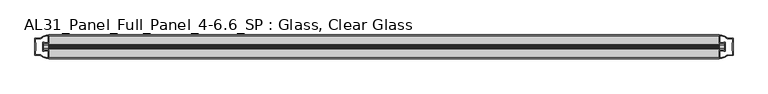
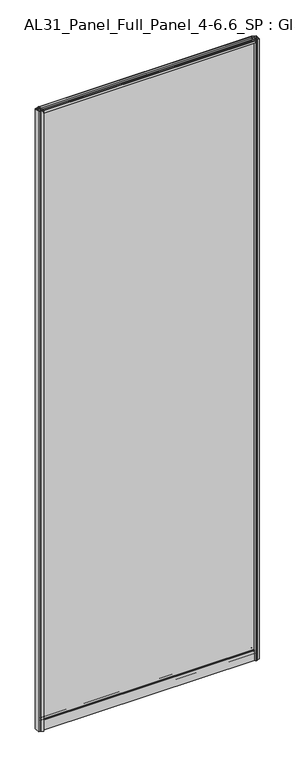
"""IFC4 building model written with IfcOpenShell, lengths in millimetres: plate geometry, AL31_Panel_Full_Panel_4-6.6_SP : Glass, Clear Glass."""

from ifc_helpers import new_model, si_unit, point, frame, frame_2d, origin, origin_with_axes, place, context, project, spatial, polyline, circle_curve, trimmed, segment, composite_curve, outline, extrude, source, transform, mapped, element, save


def al31_panel_full_panel_4_6_6_sp_glass_clear_glass_88f76b5a(model_context):
    return source(origin(), model_context, "Body", "SweptSolid", [
        extrude(outline(composite_curve([segment(polyline([(-1.4, 2968.8980762), (-0.85, 2967.9454483)]), True, "CONTINUOUS"), segment(trimmed(circle_curve(frame_2d((0.1, 2966.3)), 1.9), [point((-0.85, 2967.9454483))], [point((1.05, 2967.9454483))], True, "CARTESIAN"), True, "CONTINUOUS"), segment(polyline([(1.05, 2967.9454483), (1.6, 2968.8980762)]), True, "CONTINUOUS"), segment(trimmed(circle_curve(frame_2d((0.1, 2966.3)), 3.0), [point((1.6, 2968.8980762))], [point((2.5718414, 2964.6))], False, "CARTESIAN"), True, "CONTINUOUS"), segment(polyline([(2.5718414, 2964.6), (15.7, 2964.6), (15.7, 2974.0), (17.0, 2974.0), (17.0, 2963.5), (6.7024688, 2963.5), (6.7024688, 2962.7), (6.1968782, 2960.7785039), (6.1968782, 2956.1), (5.0, 2956.1), (5.0, 2961.4339746), (5.5, 2962.3), (5.5, 2963.5), (-5.5, 2963.5), (-5.5, 2962.3), (-5.0, 2961.4339746), (-5.0, 2956.1), (-6.1968782, 2956.1), (-6.1968782, 2960.7785039), (-6.7024688, 2962.7), (-6.7024688, 2963.5), (-17.0, 2963.5), (-17.0, 2974.0), (-15.7, 2974.0), (-15.7, 2964.6), (-2.3718414, 2964.6)]), True, "CONTINUOUS"), segment(trimmed(circle_curve(frame_2d((0.1, 2966.3)), 3.0), [point((-2.3718414, 2964.6))], [point((-1.4, 2968.8980762))], False, "CARTESIAN"), True, "CONTINUOUS")], self_intersect=False)), frame((-480.1134384, 0.0, 0.0), z_axis=(1.0, 0.0, 0.0), x_axis=(0.0, 1.0, 0.0)), (0.0, 0.0, 1.0), 960.2268768),
        extrude(outline(composite_curve([segment(polyline([(-487.9548598, -5.9), (-486.7548598, -5.9), (-486.7548598, -5.0), (-480.1134384, -5.0), (-480.1134384, -17.0001453)]), True, "CONTINUOUS"), segment(trimmed(circle_curve(frame_2d((-479.7487868, 2.9965302)), 20.0), [point((-480.1134384, -17.0001453))], [point((-491.4692736, -13.2093388))], False, "CARTESIAN"), True, "CONTINUOUS"), segment(polyline([(-491.4692736, -13.2093388), (-491.4692736, -12.3279343), (-500.1134384, -12.3279343), (-500.1134384, 12.3720657), (-491.4692736, 12.3720657), (-491.4692736, 13.2095249)]), True, "CONTINUOUS"), segment(trimmed(circle_curve(frame_2d((-479.7487868, -2.9963441)), 20.0), [point((-491.4692736, 13.2095249))], [point((-480.1134384, 17.0003314))], False, "CARTESIAN"), True, "CONTINUOUS"), segment(polyline([(-480.1134384, 17.0003314), (-480.1134384, 5.0), (-486.7548598, 5.0), (-486.7548598, 5.9), (-487.9548598, 5.9), (-487.9548598, -5.9)]), True, "CONTINUOUS")], self_intersect=False), holes=[composite_curve([segment(trimmed(circle_curve(frame_2d((-486.9548598, 5.7)), 1.5), [point((-486.9548598, 7.2))], [point((-485.5996055, 6.3428731))], False, "CARTESIAN"), True, "CONTINUOUS"), segment(polyline([(-485.5996055, 6.3428731), (-481.8548598, 6.3428731), (-481.8548598, 10.939223), (-481.41552, 11.9998832), (-481.41552, 15.6499817)]), True, "CONTINUOUS"), segment(trimmed(circle_curve(frame_2d((-479.7487868, -2.9755921)), 18.7), [point((-481.41552, 15.6499817))], [point((-489.7555646, 12.8216987))], True, "CARTESIAN"), True, "CONTINUOUS"), segment(trimmed(circle_curve(frame_2d((-491.5548598, 12.8720657)), 1.8), [point((-489.7555646, 12.8216987))], [point((-491.5548598, 11.0720657))], False, "CARTESIAN"), True, "CONTINUOUS"), segment(polyline([(-491.5548598, 11.0720657), (-498.6962811, 11.0720657), (-498.6962811, 6.5019606), (-498.2548598, 5.439223), (-498.2548598, -5.3950916), (-498.7548598, -6.3879987), (-498.7548598, -11.0279343), (-491.5548598, -11.0279343)]), True, "CONTINUOUS"), segment(trimmed(circle_curve(frame_2d((-491.5548598, -12.8279343)), 1.8), [point((-491.5548598, -11.0279343))], [point((-489.7555646, -12.7775673))], False, "CARTESIAN"), True, "CONTINUOUS"), segment(trimmed(circle_curve(frame_2d((-479.7487868, 3.0197235)), 18.7), [point((-489.7555646, -12.7775673))], [point((-481.41552, -15.6058503))], True, "CARTESIAN"), True, "CONTINUOUS"), segment(polyline([(-481.41552, -15.6058503), (-481.41552, -11.9557518), (-481.8548598, -10.8950916), (-481.8548598, -6.2991308), (-485.5797081, -6.2991308)]), True, "CONTINUOUS"), segment(trimmed(circle_curve(frame_2d((-486.9548598, -5.7)), 1.5), [point((-485.5797081, -6.2991308))], [point((-486.9548598, -7.2))], False, "CARTESIAN"), True, "CONTINUOUS"), segment(polyline([(-486.9548598, -7.2), (-489.2548598, -7.2), (-489.2548598, 7.2), (-486.9548598, 7.2)]), True, "CONTINUOUS")], self_intersect=False)]), origin_with_axes(), (0.0, 0.0, 1.0), 2974.0),
        extrude(outline(composite_curve([segment(polyline([(487.9548598, 5.9), (486.7548598, 5.9), (486.7548598, 5.0), (480.1134384, 5.0), (480.1134384, 17.0001453)]), True, "CONTINUOUS"), segment(trimmed(circle_curve(frame_2d((479.7487868, -2.9965302)), 20.0), [point((480.1134384, 17.0001453))], [point((491.4692736, 13.2093388))], False, "CARTESIAN"), True, "CONTINUOUS"), segment(polyline([(491.4692736, 13.2093388), (491.4692736, 12.3279343), (500.1134384, 12.3279343), (500.1134384, -12.3720657), (491.4692736, -12.3720657), (491.4692736, -13.2095249)]), True, "CONTINUOUS"), segment(trimmed(circle_curve(frame_2d((479.7487868, 2.9963441)), 20.0), [point((491.4692736, -13.2095249))], [point((480.1134384, -17.0003314))], False, "CARTESIAN"), True, "CONTINUOUS"), segment(polyline([(480.1134384, -17.0003314), (480.1134384, -5.0), (486.7548598, -5.0), (486.7548598, -5.9), (487.9548598, -5.9), (487.9548598, 5.9)]), True, "CONTINUOUS")], self_intersect=False), holes=[composite_curve([segment(trimmed(circle_curve(frame_2d((486.9548598, -5.7)), 1.5), [point((486.9548598, -7.2))], [point((485.5996055, -6.3428731))], False, "CARTESIAN"), True, "CONTINUOUS"), segment(polyline([(485.5996055, -6.3428731), (481.8548598, -6.3428731), (481.8548598, -10.939223), (481.41552, -11.9998832), (481.41552, -15.6499817)]), True, "CONTINUOUS"), segment(trimmed(circle_curve(frame_2d((479.7487868, 2.9755921)), 18.7), [point((481.41552, -15.6499817))], [point((489.7555646, -12.8216987))], True, "CARTESIAN"), True, "CONTINUOUS"), segment(trimmed(circle_curve(frame_2d((491.5548598, -12.8720657)), 1.8), [point((489.7555646, -12.8216987))], [point((491.5548598, -11.0720657))], False, "CARTESIAN"), True, "CONTINUOUS"), segment(polyline([(491.5548598, -11.0720657), (498.6962811, -11.0720657), (498.6962811, -6.5019606), (498.2548598, -5.439223), (498.2548598, 5.3950916), (498.7548598, 6.3879987), (498.7548598, 11.0279343), (491.5548598, 11.0279343)]), True, "CONTINUOUS"), segment(trimmed(circle_curve(frame_2d((491.5548598, 12.8279343)), 1.8), [point((491.5548598, 11.0279343))], [point((489.7555646, 12.7775673))], False, "CARTESIAN"), True, "CONTINUOUS"), segment(trimmed(circle_curve(frame_2d((479.7487868, -3.0197235)), 18.7), [point((489.7555646, 12.7775673))], [point((481.41552, 15.6058503))], True, "CARTESIAN"), True, "CONTINUOUS"), segment(polyline([(481.41552, 15.6058503), (481.41552, 11.9557518), (481.8548598, 10.8950916), (481.8548598, 6.2991308), (485.5797081, 6.2991308)]), True, "CONTINUOUS"), segment(trimmed(circle_curve(frame_2d((486.9548598, 5.7)), 1.5), [point((485.5797081, 6.2991308))], [point((486.9548598, 7.2))], False, "CARTESIAN"), True, "CONTINUOUS"), segment(polyline([(486.9548598, 7.2), (489.2548598, 7.2), (489.2548598, -7.2), (486.9548598, -7.2)]), True, "CONTINUOUS")], self_intersect=False)]), origin_with_axes(), (0.0, 0.0, 1.0), 2974.0),
        extrude(outline(composite_curve([segment(trimmed(circle_curve(frame_2d((-8.4, 34.8)), 1.0), [point((-8.4, 35.8))], [point((-9.4, 34.8))], True, "CARTESIAN"), True, "CONTINUOUS"), segment(polyline([(-9.4, 34.8), (-9.4, 33.5), (-5.0000303, 33.5), (-5.0000303, 32.3), (-9.4, 32.3), (-9.4, 0.0), (-10.6, 0.0), (-10.6, 47.3)]), True, "CONTINUOUS"), segment(trimmed(circle_curve(frame_2d((-8.6, 47.3)), 2.0), [point((-10.6, 47.3))], [point((-8.6, 49.3))], False, "CARTESIAN"), True, "CONTINUOUS"), segment(polyline([(-8.6, 49.3), (-5.0, 49.3), (-5.0, 41.9), (5.0, 41.9), (5.0, 49.3), (8.6, 49.3)]), True, "CONTINUOUS"), segment(trimmed(circle_curve(frame_2d((8.6, 47.3)), 2.0), [point((8.6, 49.3))], [point((10.6, 47.3))], False, "CARTESIAN"), True, "CONTINUOUS"), segment(polyline([(10.6, 47.3), (10.6, 0.0), (9.4, 0.0), (9.4, 32.3), (4.9999697, 32.3), (4.9999697, 33.5), (9.4, 33.5), (9.4, 34.8)]), True, "CONTINUOUS"), segment(trimmed(circle_curve(frame_2d((8.4, 34.8)), 1.0), [point((9.4, 34.8))], [point((8.4, 35.8))], True, "CARTESIAN"), True, "CONTINUOUS"), segment(polyline([(8.4, 35.8), (-8.4, 35.8)]), True, "CONTINUOUS")], self_intersect=False), holes=[composite_curve([segment(trimmed(circle_curve(frame_2d((5.5024688, 41.8)), 1.0), [point((6.5024688, 41.8))], [point((5.5024688, 40.8))], False, "CARTESIAN"), True, "CONTINUOUS"), segment(polyline([(5.5024688, 40.8), (2.8008965, 40.8), (2.8008965, 39.7274194), (1.8370508, 39.7274194)]), True, "CONTINUOUS"), segment(trimmed(circle_curve(frame_2d((0.0, 38.7)), 2.1048387), [point((1.8370508, 39.7274194))], [point((-1.8370508, 39.7274194))], True, "CARTESIAN"), True, "CONTINUOUS"), segment(polyline([(-1.8370508, 39.7274194), (-2.8008965, 39.7274194), (-2.8008965, 40.8), (-5.5024688, 40.8)]), True, "CONTINUOUS"), segment(trimmed(circle_curve(frame_2d((-5.5024688, 41.8)), 1.0), [point((-5.5024688, 40.8))], [point((-6.5024688, 41.8))], False, "CARTESIAN"), True, "CONTINUOUS"), segment(polyline([(-6.5024688, 41.8), (-6.5024688, 42.7)]), True, "CONTINUOUS"), segment(trimmed(circle_curve(frame_2d((-5.3024688, 42.7)), 1.2), [point((-6.5024688, 42.7))], [point((-6.1198184, 43.5786009))], False, "CARTESIAN"), True, "CONTINUOUS"), segment(polyline([(-6.1198184, 43.5786009), (-6.1198184, 48.2), (-8.4, 48.2)]), True, "CONTINUOUS"), segment(trimmed(circle_curve(frame_2d((-8.4, 47.2)), 1.0), [point((-8.4, 48.2))], [point((-9.4, 47.2))], True, "CARTESIAN"), True, "CONTINUOUS"), segment(polyline([(-9.4, 47.2), (-9.4, 37.04), (-2.8008965, 37.04), (-2.8008965, 38.0725806), (-1.8370508, 38.0725806)]), True, "CONTINUOUS"), segment(trimmed(circle_curve(frame_2d((0.0, 39.1)), 2.1048387), [point((-1.8370508, 38.0725806))], [point((1.8370508, 38.0725806))], True, "CARTESIAN"), True, "CONTINUOUS"), segment(polyline([(1.8370508, 38.0725806), (2.8008965, 38.0725806), (2.8008965, 37.04), (9.4, 37.04), (9.4, 47.2)]), True, "CONTINUOUS"), segment(trimmed(circle_curve(frame_2d((8.4, 47.2)), 1.0), [point((9.4, 47.2))], [point((8.4, 48.2))], True, "CARTESIAN"), True, "CONTINUOUS"), segment(polyline([(8.4, 48.2), (6.1198184, 48.2), (6.1198184, 43.7786009)]), True, "CONTINUOUS"), segment(trimmed(circle_curve(frame_2d((5.3024688, 42.9)), 1.2), [point((6.1198184, 43.7786009))], [point((6.5024688, 42.9))], False, "CARTESIAN"), True, "CONTINUOUS"), segment(polyline([(6.5024688, 42.9), (6.5024688, 41.8)]), True, "CONTINUOUS")], self_intersect=False)]), frame((-480.1134384, 0.0, 0.0), z_axis=(1.0, 0.0, 0.0), x_axis=(0.0, 1.0, 0.0)), (0.0, 0.0, 1.0), 960.2268768),
        extrude(outline(polyline([(487.9548598, 2.0), (487.9548598, -2.0), (-487.9548598, -2.0), (-487.9548598, 2.0), (487.9548598, 2.0)])), frame((0.0, 0.0, 41.9), z_axis=(0.0, 0.0, 1.0), x_axis=(1.0, 0.0, 0.0)), (0.0, 0.0, 1.0), 2921.6),
    ])


if __name__ == "__main__":
    model = new_model("IFC4")
    model_context = context("Model", 3, world=origin())
    ifc_project = project(units=[si_unit("LENGTHUNIT", "METRE", prefix="MILLI")], contexts=[model_context])
    site = spatial("IfcSite", under=ifc_project)
    building = spatial("IfcBuilding", under=site)
    placement = place(None, origin())
    al31_panel_full_panel_4_6_6_sp_glass_clear_glass_shape = al31_panel_full_panel_4_6_6_sp_glass_clear_glass_88f76b5a(model_context)
    element("IfcPlate", 1, ObjectType="AL31_Panel_Full_Panel_4-6.6_SP : Glass, Clear Glass", at=placement, inside=building, context=model_context, shape_type="MappedRepresentation", body=[
        mapped(al31_panel_full_panel_4_6_6_sp_glass_clear_glass_shape, transform((0.0, 0.0, 0.0), x_axis=(1.0, 0.0, 0.0), y_axis=(0.0, 1.0, 0.0), z_axis=(0.0, 0.0, 1.0))),
    ])
    save(model, "model.ifc")
